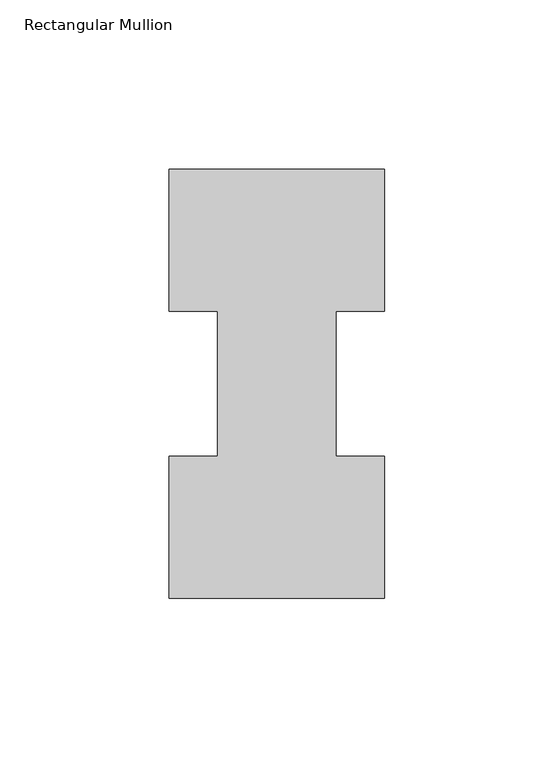
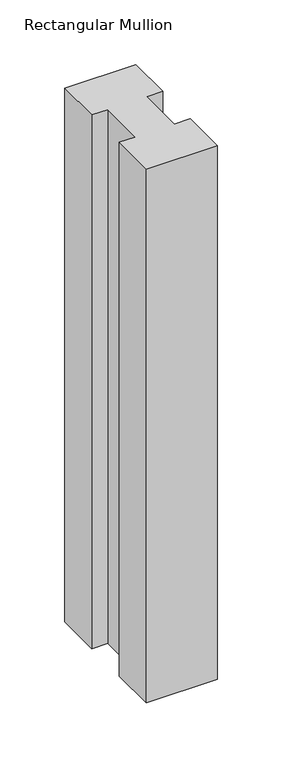
"""IFC4 building model written with IfcOpenShell, lengths in millimetres: member geometry, Rectangular Mullion."""

from ifc_helpers import new_model, si_unit, frame, origin, place, context, project, spatial, polyline, outline, extrude, source, transform, mapped, element, save


def rectangular_mullion_70e8eb8b(model_context):
    return source(origin(), model_context, "Body", "SweptSolid", [
        extrude(outline(polyline([(-63.5, 0.26035), (-63.5, 42.08145), (-49.2125, 42.08145), (-49.2125, 84.93125), (-63.5, 84.93125), (-63.5, 126.75235), (0.0, 126.75235), (0.0, 84.93125), (-14.2748, 84.93125), (-14.2748, 42.08145), (0.0, 42.08145), (0.0, 0.26035), (-63.5, 0.26035)])), frame((0.0, 0.0, -504.79325), z_axis=(0.0, 0.0, 1.0), x_axis=(1.0, 0.0, 0.0)), (0.0, 0.0, 1.0), 504.79325),
    ])


if __name__ == "__main__":
    model = new_model("IFC4")
    model_context = context("Model", 3, world=origin())
    ifc_project = project(units=[si_unit("LENGTHUNIT", "METRE", prefix="MILLI")], contexts=[model_context])
    site = spatial("IfcSite", under=ifc_project)
    building = spatial("IfcBuilding", under=site)
    placement = place(None, origin())
    rectangular_mullion_shape = rectangular_mullion_70e8eb8b(model_context)
    element("IfcMember", 1, ObjectType="Rectangular Mullion", at=placement, inside=building, context=model_context, shape_type="MappedRepresentation", body=[
        mapped(rectangular_mullion_shape, transform((0.0, 0.0, 0.0), x_axis=(1.0, 0.0, 0.0), y_axis=(0.0, 1.0, 0.0), z_axis=(0.0, 0.0, 1.0))),
    ])
    save(model, "model.ifc")
